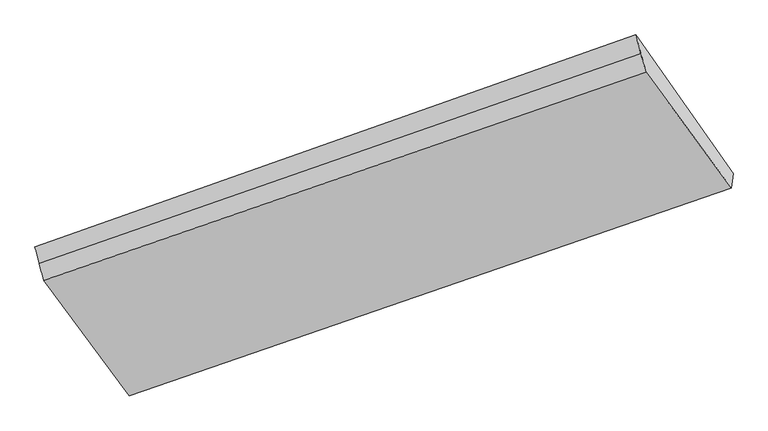
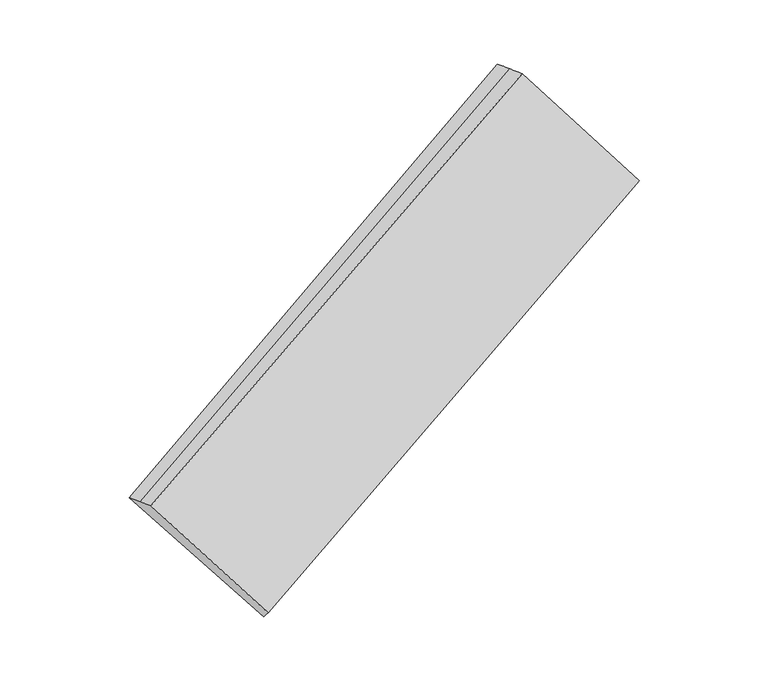
"""IFC4 building model written with IfcOpenShell, lengths in millimetres: proxy geometry."""

from ifc_helpers import new_model, si_unit, frame, origin, place, context, project, spatial, source, transform, mapped, element, save
from ifc_brep_helpers import plane_surface, spline_surface, advanced_brep


def generic_models_85ec7f20(model_context):
    return source(origin(), model_context, "Body", "AdvancedBrep", [
        advanced_brep(
        [(-5298.2737093, -2026.9010126, 1337.8690701), (-4672.7973206, -2874.3099408, 555.4150416), (-261.0514783, -1349.1683693, 2430.6734019), (-886.5278671, -501.7594411, 3213.1274304), (-5330.2804382, -1904.6968114, 1313.5199746), (-924.977605, -364.4846486, 3191.6593424), (-5362.287167, -1782.4926102, 1289.1708791), (-963.4273429, -227.2098561, 3170.1912543), (-4661.7526851, -2780.7028504, 452.9297582), (-248.8170217, -1245.4771347, 2317.1475405), (-4667.2750029, -2827.5063956, 504.1723999), (-254.93425, -1297.322752, 2373.9104712)],
        [
            (0, 1),
            (1, 2),
            (2, 3),
            (3, 0),
            (4, 0),
            (3, 5),
            (5, 4),
            (6, 4),
            (5, 7),
            (7, 6),
            (8, 6),
            (7, 9),
            (9, 8),
            (10, 8),
            (9, 11),
            (11, 10),
            (1, 10),
            (11, 2),
        ],
        [
            plane_surface(frame((-4985.535515, -2450.6054767, 946.6420558), z_axis=(-0.05995914300283961, -0.7006970690955939, 0.7109349608306023), x_axis=(0.4767055717265721, -0.6458510103062546, -0.596345764109407))),
            spline_surface(1, 1, [[(-5330.2804382, -1904.6968114, 1313.5199746), (-924.977605, -364.4846486, 3191.6593424)], [(-5298.2737093, -2026.9010126, 1337.8690701), (-886.5278671, -501.7594411, 3213.1274304)]], [2, 2], [2, 2], [0.0, 1.0], [0.0, 1.0]),
            spline_surface(1, 1, [[(-5362.287167, -1782.4926102, 1289.1708791), (-963.4273429, -227.2098561, 3170.1912543)], [(-5330.2804382, -1904.6968114, 1313.5199746), (-924.977605, -364.4846486, 3191.6593424)]], [2, 2], [2, 2], [0.0, 1.0], [0.0, 1.0]),
            plane_surface(frame((-5012.0199261, -2281.5977303, 871.0503186), z_axis=(0.07757774940462067, 0.6716709485234222, -0.736776648453899), x_axis=(-0.4737591501746381, 0.6750720304994653, 0.565535163595628))),
            plane_surface(frame((-4664.513844, -2804.104623, 478.551079), z_axis=(0.4737591501746482, -0.6750720304994585, -0.5655351635956278), x_axis=(0.07932141026545068, 0.6722762807015864, -0.7360385290727259))),
            plane_surface(frame((-4670.0361617, -2850.9081682, 529.7937207), z_axis=(0.47375915017464815, -0.6750720304994589, -0.5655351635956275), x_axis=(0.07932141026545109, 0.6722762807015862, -0.7360385290727262))),
            plane_surface(frame((-589.9559275, -830.9037003, 2782.7849068), z_axis=(0.8770749007349977, 0.30384594129818493, 0.3720447049177211), x_axis=(-0.4737591501746381, 0.6750720304994653, 0.565535163595628))),
            plane_surface(frame((-4998.7777205, -2366.1016035, 908.8461872), z_axis=(-0.8770749007349972, -0.30384594129818043, -0.37204470491772645), x_axis=(-0.476705571726574, 0.6458510103062509, 0.5963457641094094))),
        ],
        [
            (0, [[1, 2, 3, 4]]),
            (1, [[5, -4, 6, 7]]),
            (2, [[8, -7, 9, 10]]),
            (3, [[11, -10, 12, 13]]),
            (4, [[14, -13, 15, 16]]),
            (5, [[17, -16, 18, -2]]),
            (6, [[-12, -9, -6, -3, -18, -15]]),
            (7, [[-1, -5, -8, -11, -14, -17]]),
        ],
    ),
    ])


if __name__ == "__main__":
    model = new_model("IFC4")
    model_context = context("Model", 3, world=origin())
    ifc_project = project(units=[si_unit("LENGTHUNIT", "METRE", prefix="MILLI")], contexts=[model_context])
    site = spatial("IfcSite", under=ifc_project)
    building = spatial("IfcBuilding", under=site)
    placement = place(None, origin())
    generic_models_shape = generic_models_85ec7f20(model_context)
    element("IfcBuildingElementProxy", 1, Name="Generic Models", at=placement, inside=building, context=model_context, shape_type="MappedRepresentation", body=[
        mapped(generic_models_shape, transform((0.0, 0.0, 0.0), x_axis=(1.0, 0.0, 0.0), y_axis=(0.0, 1.0, 0.0), z_axis=(0.0, 0.0, 1.0))),
    ])
    save(model, "model.ifc")
